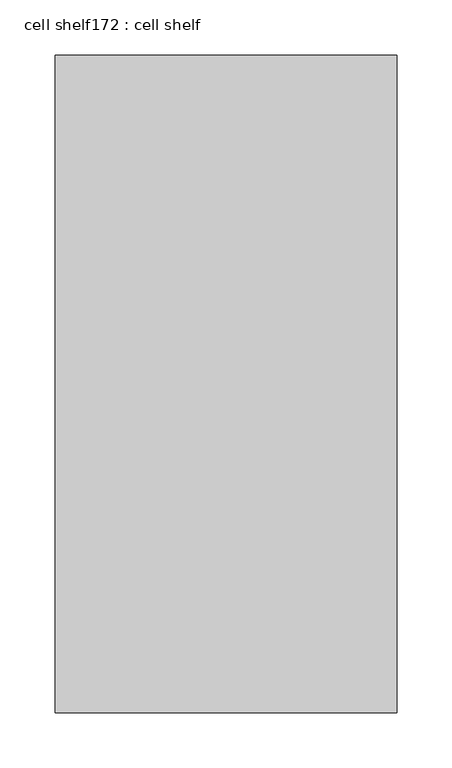
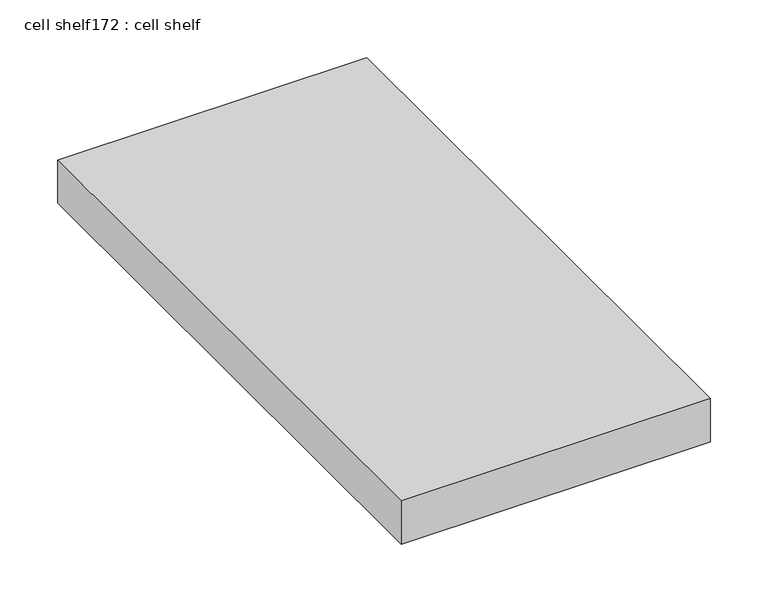
"""IFC4 building model written with IfcOpenShell, lengths in millimetres: proxy geometry, cell shelf172 : cell shelf."""

from ifc_helpers import new_model, si_unit, frame, origin, place, context, project, spatial, polyline, outline, extrude, source, transform, mapped, element, save


def cell_shelf172_cell_shelf_33f32823(model_context):
    return source(origin(), model_context, "Body", "SweptSolid", [
        extrude(outline(polyline([(-235770.5451094, -44891.9553685), (-235770.5451094, -45487.0417641), (-236079.8929059, -45487.0417641), (-236079.8929059, -44891.9553685), (-235770.5451094, -44891.9553685)])), frame((0.0, 0.0, 1320.0941517), z_axis=(0.0, 0.0, 1.0), x_axis=(1.0, 0.0, 0.0)), (0.0, 0.0, 1.0), 45.8133004),
    ])


if __name__ == "__main__":
    model = new_model("IFC4")
    model_context = context("Model", 3, world=origin())
    ifc_project = project(units=[si_unit("LENGTHUNIT", "METRE", prefix="MILLI")], contexts=[model_context])
    site = spatial("IfcSite", under=ifc_project)
    building = spatial("IfcBuilding", under=site)
    placement = place(None, origin())
    cell_shelf172_cell_shelf_shape = cell_shelf172_cell_shelf_33f32823(model_context)
    element("IfcBuildingElementProxy", 1, Name="cell shelf172 : cell shelf", ObjectType="cell shelf172 : cell shelf", at=placement, inside=building, context=model_context, shape_type="MappedRepresentation", body=[
        mapped(cell_shelf172_cell_shelf_shape, transform((0.0, 0.0, 0.0), x_axis=(1.0, 0.0, 0.0), y_axis=(0.0, 1.0, 0.0), z_axis=(0.0, 0.0, 1.0))),
    ])
    save(model, "model.ifc")
